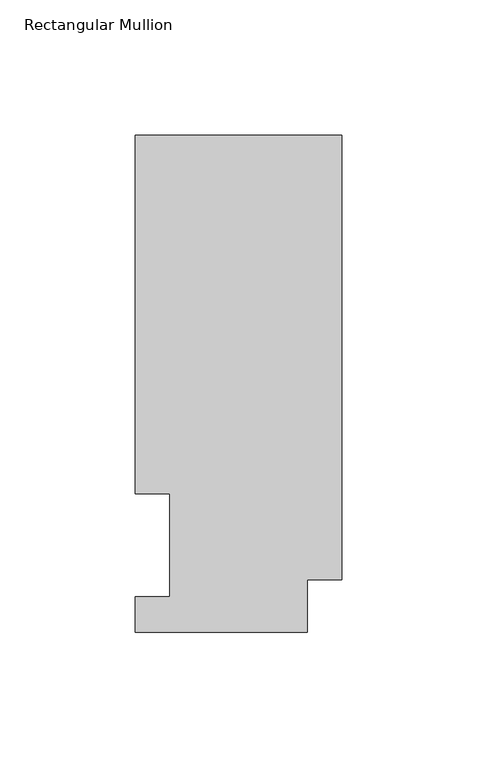
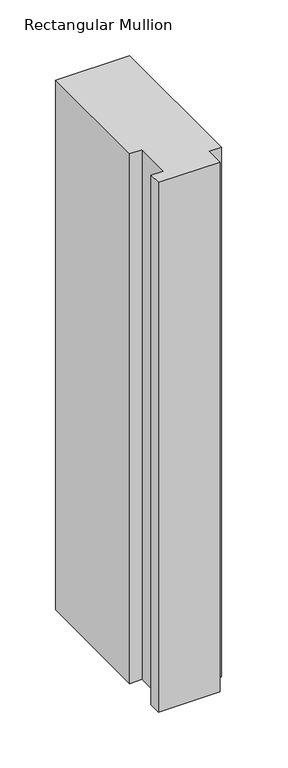
"""IFC4 building model written with IfcOpenShell, lengths in millimetres: member geometry, Rectangular Mullion."""

from ifc_helpers import new_model, si_unit, frame, origin, place, context, project, spatial, polyline, outline, extrude, source, transform, mapped, element, save


def rectangular_mullion_a6cd3218(model_context):
    return source(origin(), model_context, "Body", "SweptSolid", [
        extrude(outline(polyline([(-76.2000004, 221.9539313), (0.0, 221.9539313), (0.0, 57.8445312), (-12.7000002, 57.8445312), (-12.7000002, 38.3119312), (-76.2000002, 38.3119312), (-76.2000002, 51.4945312), (-63.4943327, 51.4945312), (-63.4943327, 89.5945313), (-76.2000004, 89.5945313), (-76.2000004, 221.9539313)])), frame((0.0, 0.0, -577.8499998), z_axis=(0.0, 0.0, 1.0), x_axis=(1.0, 0.0, 0.0)), (0.0, 0.0, 1.0), 577.8499998),
    ])


if __name__ == "__main__":
    model = new_model("IFC4")
    model_context = context("Model", 3, world=origin())
    ifc_project = project(units=[si_unit("LENGTHUNIT", "METRE", prefix="MILLI")], contexts=[model_context])
    site = spatial("IfcSite", under=ifc_project)
    building = spatial("IfcBuilding", under=site)
    placement = place(None, origin())
    rectangular_mullion_shape = rectangular_mullion_a6cd3218(model_context)
    element("IfcMember", 1, ObjectType="Rectangular Mullion", at=placement, inside=building, context=model_context, shape_type="MappedRepresentation", body=[
        mapped(rectangular_mullion_shape, transform((0.0, 0.0, 0.0), x_axis=(1.0, 0.0, 0.0), y_axis=(0.0, 1.0, 0.0), z_axis=(0.0, 0.0, 1.0))),
    ])
    save(model, "model.ifc")
